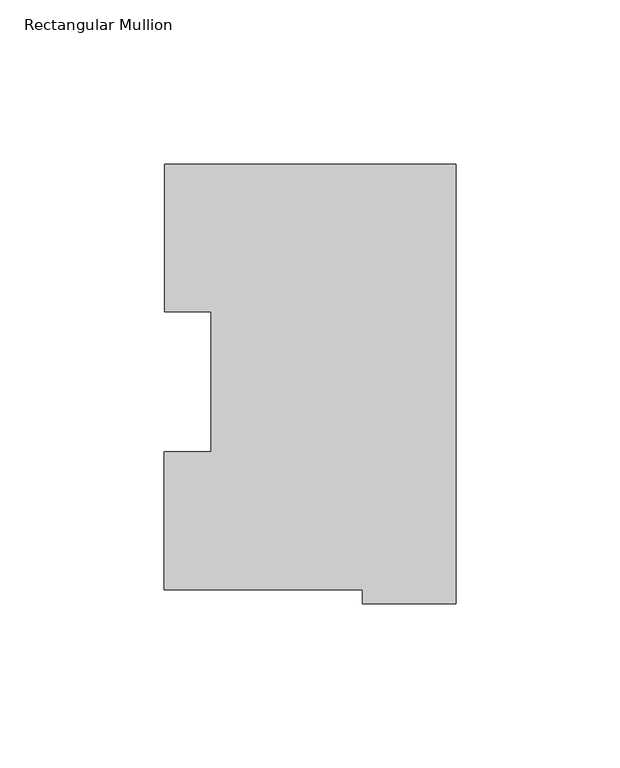
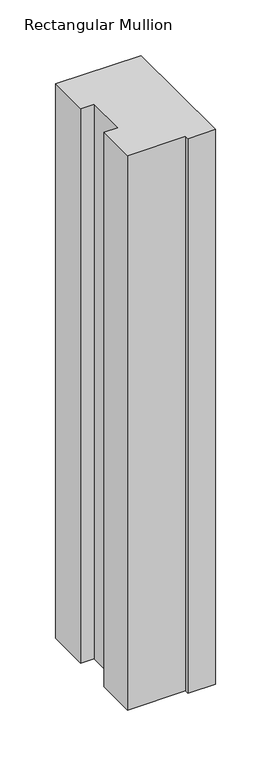
"""IFC4 building model written with IfcOpenShell, lengths in millimetres: member geometry, Rectangular Mullion."""

import ifcopenshell
import ifcopenshell.guid

model = None  # the IFC model being written
_history = None  # IfcOwnerHistory: only IFC2X3 demands one
_inside = {}  # id of a spatial element -> (the spatial element, [elements in it])
_under = {}  # id of a project, library or spatial element -> (it, [spatial elements below it])
_declared = {}  # id of a project -> (the project, [libraries it declares])
_typed = {}  # id of a type object -> (the type object, [elements of that type])
_made_of = {}  # id of a material, layer set ... -> (it, [elements and type objects made of it])


def new_model(schema):
    """Start an empty IFC model of exactly this schema.

    Asked for "IFC4X3", IfcOpenShell would pick the latest addendum, in which some entities
    have other attributes; the version numbers below select the first issue.
    IFC2X3 requires an IfcOwnerHistory on every rooted entity: one is made here for all.
    """
    global model, _history
    if schema == "IFC4X3":
        model = ifcopenshell.file(schema_version=(4, 3, 0, 0))
    else:
        model = ifcopenshell.file(schema=schema)
    _inside.clear()
    _under.clear()
    _declared.clear()
    _typed.clear()
    _made_of.clear()
    _history = None
    if model.schema == "IFC2X3":
        org = make("IfcOrganization", Name="unknown")
        user = make(
            "IfcPersonAndOrganization",
            ThePerson=make("IfcPerson", FamilyName="unknown"),
            TheOrganization=org,
        )
        app = make(
            "IfcApplication",
            ApplicationDeveloper=org,
            Version="unknown",
            ApplicationFullName="unknown",
            ApplicationIdentifier="unknown",
        )
        _history = make(
            "IfcOwnerHistory",
            OwningUser=user,
            OwningApplication=app,
            ChangeAction="ADDED",
            CreationDate=0,
        )
    return model


def make(cls, **values):
    """One entity of the class cls with the attributes given. An attribute that is None is left unset."""
    return model.create_entity(
        cls, **{name: value for name, value in values.items() if value is not None}
    )


def rooted(cls, **values):
    """An entity with a GlobalId (a new one), such as an element, a storey or a relation."""
    return make(cls, GlobalId=ifcopenshell.guid.new(), OwnerHistory=_history, **values)


def si_unit(unit_type, name, prefix=None):
    """IfcSIUnit, for example si_unit("LENGTHUNIT", "METRE", prefix="MILLI")."""
    return make("IfcSIUnit", UnitType=unit_type, Prefix=prefix, Name=name)


def assignment(units):
    """IfcUnitAssignment: the units of a project."""
    return None if units is None else make("IfcUnitAssignment", Units=units)


def point(xyz):
    """IfcCartesianPoint."""
    return None if xyz is None else make("IfcCartesianPoint", Coordinates=xyz)


def direction(xyz):
    """IfcDirection."""
    return None if xyz is None else make("IfcDirection", DirectionRatios=xyz)


def frame(location, z_axis=None, x_axis=None):
    """IfcAxis2Placement3D, a coordinate frame: its origin and axes. An axis left out is left unset."""
    return make(
        "IfcAxis2Placement3D",
        Location=point(location),
        Axis=direction(z_axis),
        RefDirection=direction(x_axis),
    )


def origin():
    """The frame at (0, 0, 0) with its axes left unset."""
    return frame((0.0, 0.0, 0.0))


def place(relative_to, where):
    """IfcLocalPlacement: puts the frame where relative to a parent placement (None: the world)."""
    return make(
        "IfcLocalPlacement", PlacementRelTo=relative_to, RelativePlacement=where
    )


def context(
    kind, dimensions, precision=None, world=None, true_north=None, identifier=None
):
    """IfcGeometricRepresentationContext, for example the 3D "Model" context."""
    return make(
        "IfcGeometricRepresentationContext",
        ContextIdentifier=identifier,
        ContextType=kind,
        CoordinateSpaceDimension=dimensions,
        Precision=precision,
        WorldCoordinateSystem=world,
        TrueNorth=true_north,
    )


def project(units=None, contexts=None):
    """IfcProject with its units and contexts."""
    return rooted(
        "IfcProject",
        Name="project",
        RepresentationContexts=contexts,
        UnitsInContext=assignment(units),
    )


def spatial(cls, under=None, at=None, **own):
    """A site, building, storey or space (cls), placed at a placement, below another one or the project."""
    s = rooted(cls, ObjectPlacement=at, **own)
    if under is not None:
        _under.setdefault(under.id(), (under, []))[1].append(s)
    return s


def polyline(points):
    """IfcPolyline through the points."""
    return make("IfcPolyline", Points=[point(p) for p in points])


def outline(outer, holes=None, kind="AREA"):
    """IfcArbitraryClosedProfileDef: a profile drawn as a closed curve; with holes, ...WithVoids."""
    if holes is None:
        return make("IfcArbitraryClosedProfileDef", ProfileType=kind, OuterCurve=outer)
    return make(
        "IfcArbitraryProfileDefWithVoids",
        ProfileType=kind,
        OuterCurve=outer,
        InnerCurves=holes,
    )


def extrude(swept, where, along, depth):
    """IfcExtrudedAreaSolid: the profile swept, set in the frame where, extruded along a direction by depth."""
    return make(
        "IfcExtrudedAreaSolid",
        SweptArea=swept,
        Position=where,
        ExtrudedDirection=direction(along),
        Depth=depth,
    )


def shape(context_of_items, identifier, shape_type, items):
    """IfcShapeRepresentation: the items that make up one representation, for example the "Body"."""
    return make(
        "IfcShapeRepresentation",
        ContextOfItems=context_of_items,
        RepresentationIdentifier=identifier,
        RepresentationType=shape_type,
        Items=items,
    )


def source(mapping_origin, context_of_items, identifier, shape_type, items):
    """IfcRepresentationMap: a shape defined once, which mapped items show again and again."""
    return make(
        "IfcRepresentationMap",
        MappingOrigin=mapping_origin,
        MappedRepresentation=shape(context_of_items, identifier, shape_type, items),
    )


def transform(
    local_origin,
    x_axis=None,
    y_axis=None,
    z_axis=None,
    scale=None,
    scale2=None,
    scale3=None,
    uniform=True,
):
    """IfcCartesianTransformationOperator3D, or its non-uniform kind. x_axis, y_axis, z_axis: its Axis1, 2, 3."""
    if uniform:
        return make(
            "IfcCartesianTransformationOperator3D",
            Axis1=direction(x_axis),
            Axis2=direction(y_axis),
            LocalOrigin=point(local_origin),
            Scale=scale,
            Axis3=direction(z_axis),
        )
    return make(
        "IfcCartesianTransformationOperator3DnonUniform",
        Axis1=direction(x_axis),
        Axis2=direction(y_axis),
        LocalOrigin=point(local_origin),
        Scale=scale,
        Axis3=direction(z_axis),
        Scale2=scale2,
        Scale3=scale3,
    )


def mapped(mapping_source, mapping_target):
    """IfcMappedItem: shows the shape of a source again, moved by a transform."""
    return make(
        "IfcMappedItem", MappingSource=mapping_source, MappingTarget=mapping_target
    )


def made_of(thing, what):
    """Note that an element or type object is made of a material, layer set ...; save() writes the relation."""
    if what is not None:
        _made_of.setdefault(what.id(), (what, []))[1].append(thing)
    return thing


def element(
    cls,
    number,
    at=None,
    inside=None,
    cuts=None,
    type_object=None,
    material=None,
    context=None,
    identifier="Body",
    shape_type=None,
    held_by="IfcProductDefinitionShape",
    body=None,
    shapes=None,
    **own,
):
    """One element of the class cls, such as IfcWall. Its Tag is "e" and its number.

    at: its placement. inside: the storey or other place that contains it. cuts: it is an
    opening in that element (IfcRelVoidsElement). A single representation is given by context,
    identifier, shape_type and body (its items); several are given by shapes. held_by: the class
    of the entity that holds the representations. save() writes the other relations.
    """
    e = rooted(cls, Tag="e%d" % number, ObjectPlacement=at, **own)
    if body is not None:
        shapes = [shape(context, identifier, shape_type, body)]
    if shapes is not None:
        e.Representation = make(held_by, Representations=shapes)
    if inside is not None:
        _inside.setdefault(inside.id(), (inside, []))[1].append(e)
    if cuts is not None:
        rooted(
            "IfcRelVoidsElement", RelatingBuildingElement=cuts, RelatedOpeningElement=e
        )
    if type_object is not None:
        _typed.setdefault(type_object.id(), (type_object, []))[1].append(e)
    return made_of(e, material)


def aggregate(whole, parts):
    """IfcRelAggregates: a whole, such as a stair, and the parts it consists of."""
    return rooted("IfcRelAggregates", RelatingObject=whole, RelatedObjects=parts)


def save(model, path):
    """Write the relations noted so far, then the file.

    IfcRelAggregates (storeys below a building ...), IfcRelContainedInSpatialStructure (elements
    in a storey), IfcRelDefinesByType, IfcRelAssociatesMaterial and IfcRelDeclares: one each for
    every whole, place, type object, material and project.
    """
    for whole, parts in _under.values():
        aggregate(whole, parts)
    for where, things in _inside.values():
        rooted(
            "IfcRelContainedInSpatialStructure",
            RelatedElements=things,
            RelatingStructure=where,
        )
    for kind, things in _typed.values():
        rooted("IfcRelDefinesByType", RelatedObjects=things, RelatingType=kind)
    for what, things in _made_of.values():
        rooted("IfcRelAssociatesMaterial", RelatedObjects=things, RelatingMaterial=what)
    for by, libraries in _declared.values():
        rooted("IfcRelDeclares", RelatingContext=by, RelatedDefinitions=libraries)
    model.write(path)


def rectangular_mullion_92f6ad2d(model_context):
    return source(origin(), model_context, "Body", "SweptSolid", [
        extrude(outline(polyline([(0.0, 130.1883258), (0.0, -3.8220742), (-28.56992, -3.8220742), (-28.56992, 0.3943258), (-89.1479583, 0.3943258), (-89.1479583, 42.4313258), (-74.758757, 42.4313258), (-74.758757, 85.1296875), (-88.99652, 85.1296875), (-88.99652, 130.1883258), (0.0, 130.1883258)])), frame((0.0, 0.0, -609.6), z_axis=(0.0, 0.0, 1.0), x_axis=(1.0, 0.0, 0.0)), (0.0, 0.0, 1.0), 609.6),
    ])


if __name__ == "__main__":
    model = new_model("IFC4")
    model_context = context("Model", 3, world=origin())
    ifc_project = project(units=[si_unit("LENGTHUNIT", "METRE", prefix="MILLI")], contexts=[model_context])
    site = spatial("IfcSite", under=ifc_project)
    building = spatial("IfcBuilding", under=site)
    placement = place(None, origin())
    rectangular_mullion_shape = rectangular_mullion_92f6ad2d(model_context)
    element("IfcMember", 1, ObjectType="Rectangular Mullion", at=placement, inside=building, context=model_context, shape_type="MappedRepresentation", body=[
        mapped(rectangular_mullion_shape, transform((0.0, 0.0, 0.0), x_axis=(1.0, 0.0, 0.0), y_axis=(0.0, 1.0, 0.0), z_axis=(0.0, 0.0, 1.0))),
    ])
    save(model, "model.ifc")
